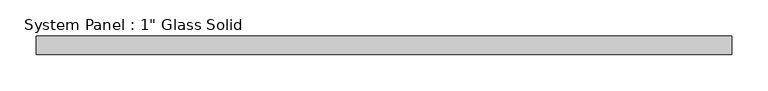
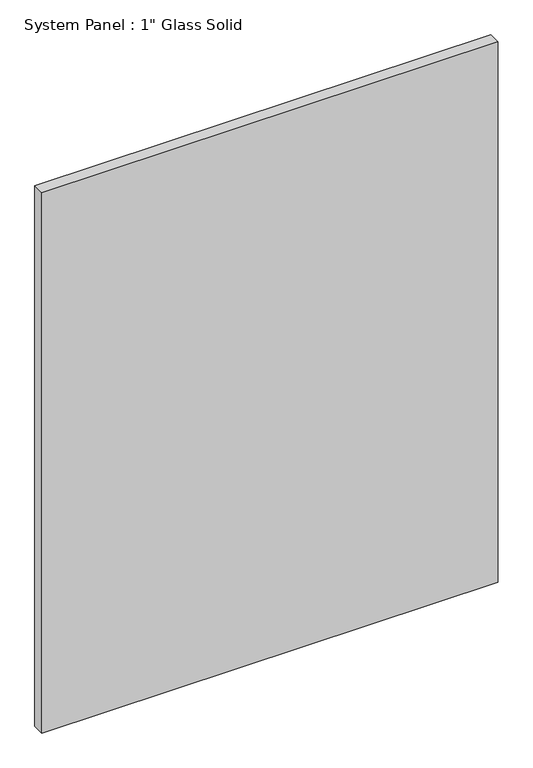
"""IFC4 building model written with IfcOpenShell, lengths in millimetres: plate geometry."""

from ifc_helpers import new_model, si_unit, origin, origin_with_axes, place, context, project, spatial, polyline, outline, extrude, source, transform, mapped, element, save


def plate_c7e33aea(model_context):
    return source(origin(), model_context, "Body", "SweptSolid", [
        extrude(outline(polyline([(479.4258852, -12.7), (-479.4258852, -12.7), (-479.4258852, 12.7), (479.4258852, 12.7), (479.4258852, -12.7)])), origin_with_axes(), (0.0, 0.0, 1.0), 1200.1517704),
    ])


if __name__ == "__main__":
    model = new_model("IFC4")
    model_context = context("Model", 3, world=origin())
    ifc_project = project(units=[si_unit("LENGTHUNIT", "METRE", prefix="MILLI")], contexts=[model_context])
    site = spatial("IfcSite", under=ifc_project)
    building = spatial("IfcBuilding", under=site)
    placement = place(None, origin())
    plate_shape = plate_c7e33aea(model_context)
    element("IfcPlate", 1, ObjectType="System Panel : 1\" Glass Solid", at=placement, inside=building, context=model_context, shape_type="MappedRepresentation", body=[
        mapped(plate_shape, transform((0.0, 0.0, 0.0), x_axis=(1.0, 0.0, 0.0), y_axis=(0.0, 1.0, 0.0), z_axis=(0.0, 0.0, 1.0))),
    ])
    save(model, "model.ifc")
